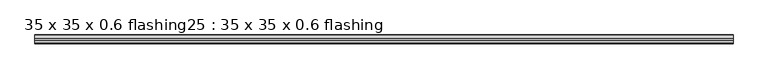
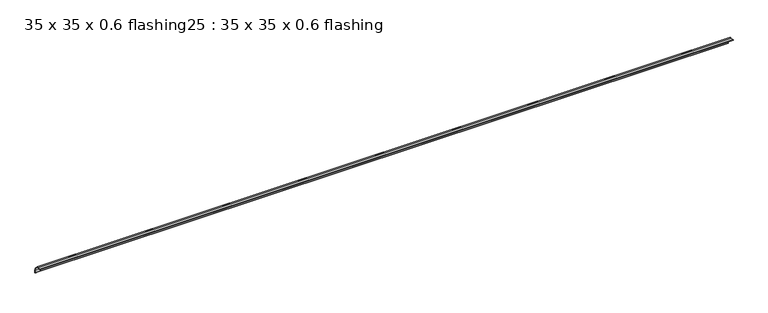
"""IFC4 building model written with IfcOpenShell, lengths in millimetres: proxy geometry, 35 x 35 x 0.6 flashing25 : 35 x 35 x 0.6 flashing."""

import ifcopenshell
import ifcopenshell.guid

model = None  # the IFC model being written
_history = None  # IfcOwnerHistory: only IFC2X3 demands one
_inside = {}  # id of a spatial element -> (the spatial element, [elements in it])
_under = {}  # id of a project, library or spatial element -> (it, [spatial elements below it])
_declared = {}  # id of a project -> (the project, [libraries it declares])
_typed = {}  # id of a type object -> (the type object, [elements of that type])
_made_of = {}  # id of a material, layer set ... -> (it, [elements and type objects made of it])


def new_model(schema):
    """Start an empty IFC model of exactly this schema.

    Asked for "IFC4X3", IfcOpenShell would pick the latest addendum, in which some entities
    have other attributes; the version numbers below select the first issue.
    IFC2X3 requires an IfcOwnerHistory on every rooted entity: one is made here for all.
    """
    global model, _history
    if schema == "IFC4X3":
        model = ifcopenshell.file(schema_version=(4, 3, 0, 0))
    else:
        model = ifcopenshell.file(schema=schema)
    _inside.clear()
    _under.clear()
    _declared.clear()
    _typed.clear()
    _made_of.clear()
    _history = None
    if model.schema == "IFC2X3":
        org = make("IfcOrganization", Name="unknown")
        user = make(
            "IfcPersonAndOrganization",
            ThePerson=make("IfcPerson", FamilyName="unknown"),
            TheOrganization=org,
        )
        app = make(
            "IfcApplication",
            ApplicationDeveloper=org,
            Version="unknown",
            ApplicationFullName="unknown",
            ApplicationIdentifier="unknown",
        )
        _history = make(
            "IfcOwnerHistory",
            OwningUser=user,
            OwningApplication=app,
            ChangeAction="ADDED",
            CreationDate=0,
        )
    return model


def make(cls, **values):
    """One entity of the class cls with the attributes given. An attribute that is None is left unset."""
    return model.create_entity(
        cls, **{name: value for name, value in values.items() if value is not None}
    )


def rooted(cls, **values):
    """An entity with a GlobalId (a new one), such as an element, a storey or a relation."""
    return make(cls, GlobalId=ifcopenshell.guid.new(), OwnerHistory=_history, **values)


def si_unit(unit_type, name, prefix=None):
    """IfcSIUnit, for example si_unit("LENGTHUNIT", "METRE", prefix="MILLI")."""
    return make("IfcSIUnit", UnitType=unit_type, Prefix=prefix, Name=name)


def assignment(units):
    """IfcUnitAssignment: the units of a project."""
    return None if units is None else make("IfcUnitAssignment", Units=units)


def point(xyz):
    """IfcCartesianPoint."""
    return None if xyz is None else make("IfcCartesianPoint", Coordinates=xyz)


def direction(xyz):
    """IfcDirection."""
    return None if xyz is None else make("IfcDirection", DirectionRatios=xyz)


def frame(location, z_axis=None, x_axis=None):
    """IfcAxis2Placement3D, a coordinate frame: its origin and axes. An axis left out is left unset."""
    return make(
        "IfcAxis2Placement3D",
        Location=point(location),
        Axis=direction(z_axis),
        RefDirection=direction(x_axis),
    )


def frame_2d(location, x_axis=None):
    """IfcAxis2Placement2D, a coordinate frame in the plane: its origin and x axis."""
    return make(
        "IfcAxis2Placement2D", Location=point(location), RefDirection=direction(x_axis)
    )


def origin():
    """The frame at (0, 0, 0) with its axes left unset."""
    return frame((0.0, 0.0, 0.0))


def place(relative_to, where):
    """IfcLocalPlacement: puts the frame where relative to a parent placement (None: the world)."""
    return make(
        "IfcLocalPlacement", PlacementRelTo=relative_to, RelativePlacement=where
    )


def context(
    kind, dimensions, precision=None, world=None, true_north=None, identifier=None
):
    """IfcGeometricRepresentationContext, for example the 3D "Model" context."""
    return make(
        "IfcGeometricRepresentationContext",
        ContextIdentifier=identifier,
        ContextType=kind,
        CoordinateSpaceDimension=dimensions,
        Precision=precision,
        WorldCoordinateSystem=world,
        TrueNorth=true_north,
    )


def project(units=None, contexts=None):
    """IfcProject with its units and contexts."""
    return rooted(
        "IfcProject",
        Name="project",
        RepresentationContexts=contexts,
        UnitsInContext=assignment(units),
    )


def spatial(cls, under=None, at=None, **own):
    """A site, building, storey or space (cls), placed at a placement, below another one or the project."""
    s = rooted(cls, ObjectPlacement=at, **own)
    if under is not None:
        _under.setdefault(under.id(), (under, []))[1].append(s)
    return s


def polyline(points):
    """IfcPolyline through the points."""
    return make("IfcPolyline", Points=[point(p) for p in points])


def circle_curve(where, radius):
    """IfcCircle in the frame where."""
    return make("IfcCircle", Position=where, Radius=radius)


def trimmed(basis, trim1, trim2, sense, master):
    """IfcTrimmedCurve: the piece of a basis curve between two trims."""
    return make(
        "IfcTrimmedCurve",
        BasisCurve=basis,
        Trim1=trim1,
        Trim2=trim2,
        SenseAgreement=sense,
        MasterRepresentation=master,
    )


def segment(curve, same_sense, transition):
    """IfcCompositeCurveSegment."""
    return make(
        "IfcCompositeCurveSegment",
        Transition=transition,
        SameSense=same_sense,
        ParentCurve=curve,
    )


def composite_curve(segments, self_intersect=None):
    """IfcCompositeCurve: segments joined end to end."""
    return make("IfcCompositeCurve", Segments=segments, SelfIntersect=self_intersect)


def outline(outer, holes=None, kind="AREA"):
    """IfcArbitraryClosedProfileDef: a profile drawn as a closed curve; with holes, ...WithVoids."""
    if holes is None:
        return make("IfcArbitraryClosedProfileDef", ProfileType=kind, OuterCurve=outer)
    return make(
        "IfcArbitraryProfileDefWithVoids",
        ProfileType=kind,
        OuterCurve=outer,
        InnerCurves=holes,
    )


def extrude(swept, where, along, depth):
    """IfcExtrudedAreaSolid: the profile swept, set in the frame where, extruded along a direction by depth."""
    return make(
        "IfcExtrudedAreaSolid",
        SweptArea=swept,
        Position=where,
        ExtrudedDirection=direction(along),
        Depth=depth,
    )


def shape(context_of_items, identifier, shape_type, items):
    """IfcShapeRepresentation: the items that make up one representation, for example the "Body"."""
    return make(
        "IfcShapeRepresentation",
        ContextOfItems=context_of_items,
        RepresentationIdentifier=identifier,
        RepresentationType=shape_type,
        Items=items,
    )


def source(mapping_origin, context_of_items, identifier, shape_type, items):
    """IfcRepresentationMap: a shape defined once, which mapped items show again and again."""
    return make(
        "IfcRepresentationMap",
        MappingOrigin=mapping_origin,
        MappedRepresentation=shape(context_of_items, identifier, shape_type, items),
    )


def transform(
    local_origin,
    x_axis=None,
    y_axis=None,
    z_axis=None,
    scale=None,
    scale2=None,
    scale3=None,
    uniform=True,
):
    """IfcCartesianTransformationOperator3D, or its non-uniform kind. x_axis, y_axis, z_axis: its Axis1, 2, 3."""
    if uniform:
        return make(
            "IfcCartesianTransformationOperator3D",
            Axis1=direction(x_axis),
            Axis2=direction(y_axis),
            LocalOrigin=point(local_origin),
            Scale=scale,
            Axis3=direction(z_axis),
        )
    return make(
        "IfcCartesianTransformationOperator3DnonUniform",
        Axis1=direction(x_axis),
        Axis2=direction(y_axis),
        LocalOrigin=point(local_origin),
        Scale=scale,
        Axis3=direction(z_axis),
        Scale2=scale2,
        Scale3=scale3,
    )


def mapped(mapping_source, mapping_target):
    """IfcMappedItem: shows the shape of a source again, moved by a transform."""
    return make(
        "IfcMappedItem", MappingSource=mapping_source, MappingTarget=mapping_target
    )


def made_of(thing, what):
    """Note that an element or type object is made of a material, layer set ...; save() writes the relation."""
    if what is not None:
        _made_of.setdefault(what.id(), (what, []))[1].append(thing)
    return thing


def element(
    cls,
    number,
    at=None,
    inside=None,
    cuts=None,
    type_object=None,
    material=None,
    context=None,
    identifier="Body",
    shape_type=None,
    held_by="IfcProductDefinitionShape",
    body=None,
    shapes=None,
    **own,
):
    """One element of the class cls, such as IfcWall. Its Tag is "e" and its number.

    at: its placement. inside: the storey or other place that contains it. cuts: it is an
    opening in that element (IfcRelVoidsElement). A single representation is given by context,
    identifier, shape_type and body (its items); several are given by shapes. held_by: the class
    of the entity that holds the representations. save() writes the other relations.
    """
    e = rooted(cls, Tag="e%d" % number, ObjectPlacement=at, **own)
    if body is not None:
        shapes = [shape(context, identifier, shape_type, body)]
    if shapes is not None:
        e.Representation = make(held_by, Representations=shapes)
    if inside is not None:
        _inside.setdefault(inside.id(), (inside, []))[1].append(e)
    if cuts is not None:
        rooted(
            "IfcRelVoidsElement", RelatingBuildingElement=cuts, RelatedOpeningElement=e
        )
    if type_object is not None:
        _typed.setdefault(type_object.id(), (type_object, []))[1].append(e)
    return made_of(e, material)


def aggregate(whole, parts):
    """IfcRelAggregates: a whole, such as a stair, and the parts it consists of."""
    return rooted("IfcRelAggregates", RelatingObject=whole, RelatedObjects=parts)


def save(model, path):
    """Write the relations noted so far, then the file.

    IfcRelAggregates (storeys below a building ...), IfcRelContainedInSpatialStructure (elements
    in a storey), IfcRelDefinesByType, IfcRelAssociatesMaterial and IfcRelDeclares: one each for
    every whole, place, type object, material and project.
    """
    for whole, parts in _under.values():
        aggregate(whole, parts)
    for where, things in _inside.values():
        rooted(
            "IfcRelContainedInSpatialStructure",
            RelatedElements=things,
            RelatingStructure=where,
        )
    for kind, things in _typed.values():
        rooted("IfcRelDefinesByType", RelatedObjects=things, RelatingType=kind)
    for what, things in _made_of.values():
        rooted("IfcRelAssociatesMaterial", RelatedObjects=things, RelatingMaterial=what)
    for by, libraries in _declared.values():
        rooted("IfcRelDeclares", RelatingContext=by, RelatedDefinitions=libraries)
    model.write(path)


def proxy_35_x_35_x_0_6_flashing25_35_x_35_x_0_6_flashing_c2d86be1(model_context):
    return source(origin(), model_context, "Body", "SweptSolid", [
        extrude(outline(composite_curve([segment(polyline([(-10406.3538523, 1397.1787912), (-10406.3538523, 1412.7645777), (-10417.9779886, 1424.3887139), (-10433.563775, 1424.3887139)]), True, "CONTINUOUS"), segment(trimmed(circle_curve(frame_2d((-10433.563775, 1425.3887139)), 1.0), [point((-10433.563775, 1424.3887139))], [point((-10433.563775, 1426.3887139))], False, "CARTESIAN"), True, "CONTINUOUS"), segment(polyline([(-10433.563775, 1426.3887139), (-10424.5310976, 1426.3887139), (-10424.5310976, 1425.3887139), (-10417.563775, 1425.3887139), (-10405.3538523, 1413.1787912), (-10405.3538523, 1406.2114686), (-10404.3538523, 1406.2114686), (-10404.3538523, 1397.1787912)]), True, "CONTINUOUS"), segment(trimmed(circle_curve(frame_2d((-10405.3538523, 1397.1787912)), 1.0), [point((-10404.3538523, 1397.1787912))], [point((-10406.3538523, 1397.1787912))], False, "CARTESIAN"), True, "CONTINUOUS")], self_intersect=False)), frame((-7919.6640929, 0.0, 0.0), z_axis=(1.0, 0.0, 0.0), x_axis=(0.0, 1.0, 0.0)), (0.0, 0.0, 1.0), 2410.6438934),
    ])


if __name__ == "__main__":
    model = new_model("IFC4")
    model_context = context("Model", 3, world=origin())
    ifc_project = project(units=[si_unit("LENGTHUNIT", "METRE", prefix="MILLI")], contexts=[model_context])
    site = spatial("IfcSite", under=ifc_project)
    building = spatial("IfcBuilding", under=site)
    placement = place(None, origin())
    proxy_35_x_35_x_0_6_flashing25_35_x_35_x_0_6_flashing_shape = proxy_35_x_35_x_0_6_flashing25_35_x_35_x_0_6_flashing_c2d86be1(model_context)
    element("IfcBuildingElementProxy", 1, Name="35 x 35 x 0.6 flashing25 : 35 x 35 x 0.6 flashing", ObjectType="35 x 35 x 0.6 flashing25 : 35 x 35 x 0.6 flashing", at=placement, inside=building, context=model_context, shape_type="MappedRepresentation", body=[
        mapped(proxy_35_x_35_x_0_6_flashing25_35_x_35_x_0_6_flashing_shape, transform((0.0, 0.0, 0.0), x_axis=(1.0, 0.0, 0.0), y_axis=(0.0, 1.0, 0.0), z_axis=(0.0, 0.0, 1.0))),
    ])
    save(model, "model.ifc")
